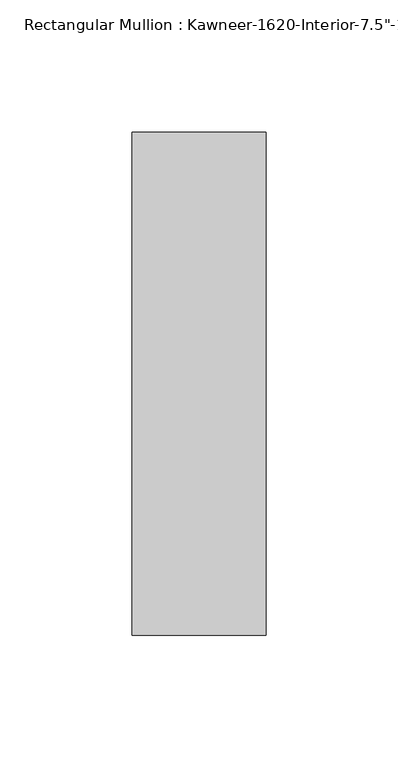
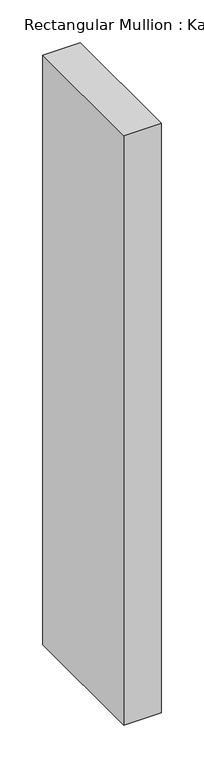
"""IFC4 building model written with IfcOpenShell, lengths in millimetres: member geometry."""

from ifc_helpers import new_model, si_unit, frame, origin, place, context, project, spatial, polyline, outline, extrude, source, transform, mapped, element, save


def member_d0aa8ab6(model_context):
    return source(origin(), model_context, "Body", "SweptSolid", [
        extrude(outline(polyline([(25.4, -152.4), (-25.4, -152.4), (-25.4, 38.1), (25.4, 38.1), (25.4, -152.4)])), frame((0.0, 0.0, -844.55), z_axis=(0.0, 0.0, 1.0), x_axis=(1.0, 0.0, 0.0)), (0.0, 0.0, 1.0), 844.55),
    ])


if __name__ == "__main__":
    model = new_model("IFC4")
    model_context = context("Model", 3, world=origin())
    ifc_project = project(units=[si_unit("LENGTHUNIT", "METRE", prefix="MILLI")], contexts=[model_context])
    site = spatial("IfcSite", under=ifc_project)
    building = spatial("IfcBuilding", under=site)
    placement = place(None, origin())
    member_shape = member_d0aa8ab6(model_context)
    element("IfcMember", 1, ObjectType="Rectangular Mullion : Kawneer-1620-Interior-7.5\"-1\"Infill", at=placement, inside=building, context=model_context, shape_type="MappedRepresentation", body=[
        mapped(member_shape, transform((0.0, 0.0, 0.0), x_axis=(1.0, 0.0, 0.0), y_axis=(0.0, 1.0, 0.0), z_axis=(0.0, 0.0, 1.0))),
    ])
    save(model, "model.ifc")
